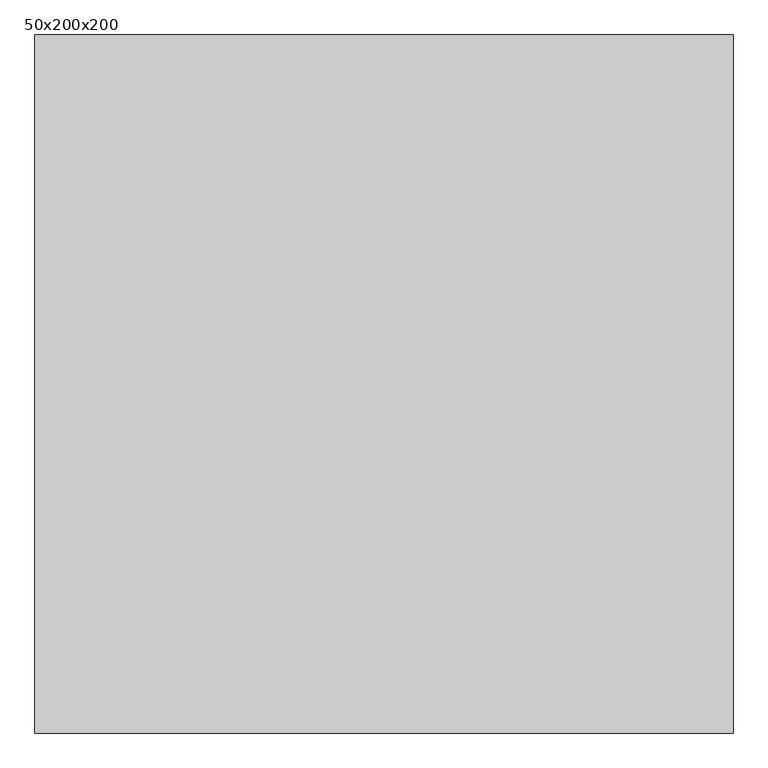
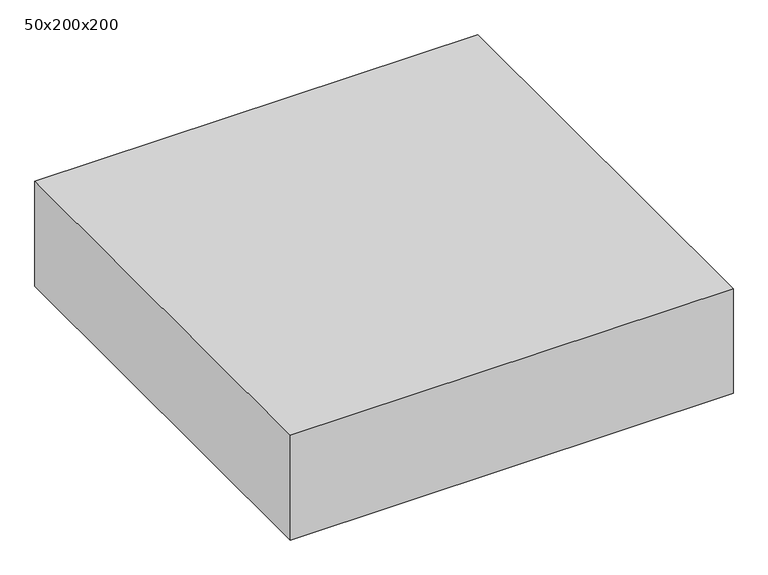
"""IFC4 building model written with IfcOpenShell, lengths in millimetres: proxy geometry, 50x200x200."""

from ifc_helpers import new_model, si_unit, origin, origin_with_axes, place, context, project, spatial, polyline, outline, extrude, source, transform, mapped, element, save


def proxy_50x200x200_ec2543ff(model_context):
    return source(origin(), model_context, "Body", "SweptSolid", [
        extrude(outline(polyline([(2000.0, 2000.0), (2000.0, 0.0), (0.0, 0.0), (0.0, 2000.0), (2000.0, 2000.0)])), origin_with_axes(), (0.0, 0.0, 1.0), 500.0),
    ])


if __name__ == "__main__":
    model = new_model("IFC4")
    model_context = context("Model", 3, world=origin())
    ifc_project = project(units=[si_unit("LENGTHUNIT", "METRE", prefix="MILLI")], contexts=[model_context])
    site = spatial("IfcSite", under=ifc_project)
    building = spatial("IfcBuilding", under=site)
    placement = place(None, origin())
    proxy_50x200x200_shape = proxy_50x200x200_ec2543ff(model_context)
    element("IfcBuildingElementProxy", 1, Name="50x200x200", ObjectType="50x200x200", at=placement, inside=building, context=model_context, shape_type="MappedRepresentation", body=[
        mapped(proxy_50x200x200_shape, transform((0.0, 0.0, 0.0), x_axis=(1.0, 0.0, 0.0), y_axis=(0.0, 1.0, 0.0), z_axis=(0.0, 0.0, 1.0))),
    ])
    save(model, "model.ifc")
